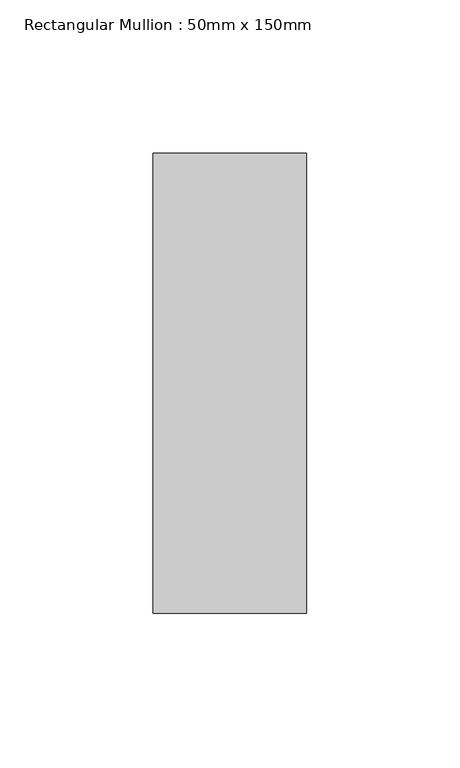
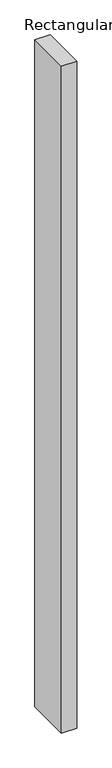
"""IFC4 building model written with IfcOpenShell, lengths in millimetres: member geometry, Rectangular Mullion : 50mm x 150mm."""

from ifc_helpers import new_model, si_unit, frame, origin, place, context, project, spatial, polyline, outline, extrude, source, transform, mapped, element, save


def rectangular_mullion_50mm_x_150mm_095bf015(model_context):
    return source(origin(), model_context, "Body", "SweptSolid", [
        extrude(outline(polyline([(0.0, 75.0), (0.0, -75.0), (-50.0, -75.0), (-50.0, 75.0), (0.0, 75.0)])), frame((0.0, 0.0, -2300.2005243), z_axis=(0.0, 0.0, 1.0), x_axis=(1.0, 0.0, 0.0)), (0.0, 0.0, 1.0), 2300.2005243),
    ])


if __name__ == "__main__":
    model = new_model("IFC4")
    model_context = context("Model", 3, world=origin())
    ifc_project = project(units=[si_unit("LENGTHUNIT", "METRE", prefix="MILLI")], contexts=[model_context])
    site = spatial("IfcSite", under=ifc_project)
    building = spatial("IfcBuilding", under=site)
    placement = place(None, origin())
    rectangular_mullion_50mm_x_150mm_shape = rectangular_mullion_50mm_x_150mm_095bf015(model_context)
    element("IfcMember", 1, ObjectType="Rectangular Mullion : 50mm x 150mm", at=placement, inside=building, context=model_context, shape_type="MappedRepresentation", body=[
        mapped(rectangular_mullion_50mm_x_150mm_shape, transform((0.0, 0.0, 0.0), x_axis=(1.0, 0.0, 0.0), y_axis=(0.0, 1.0, 0.0), z_axis=(0.0, 0.0, 1.0))),
    ])
    save(model, "model.ifc")
